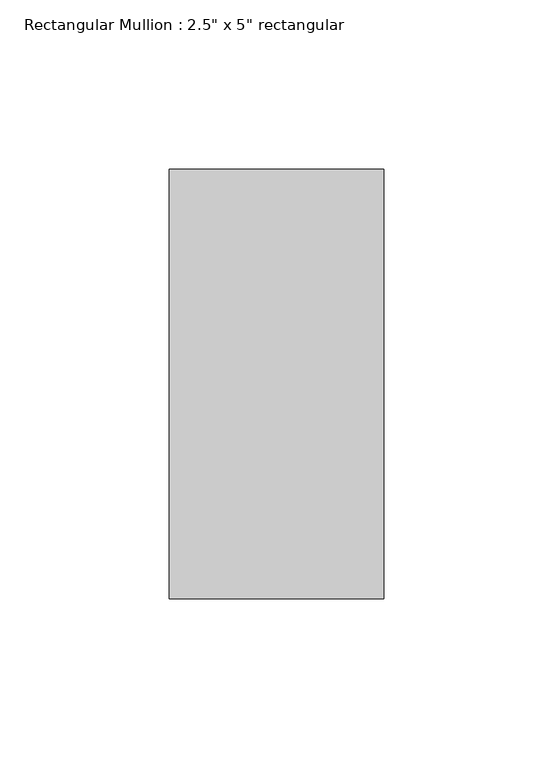
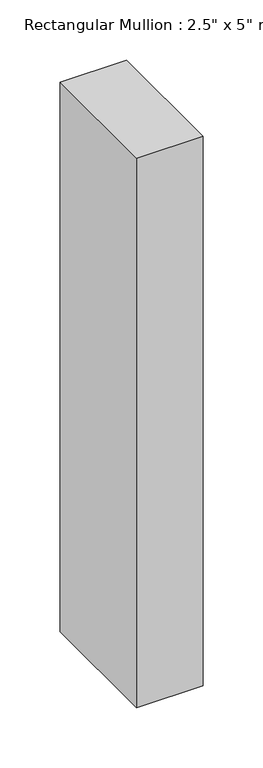
"""IFC4 building model written with IfcOpenShell, lengths in millimetres: member geometry."""

import ifcopenshell
import ifcopenshell.guid

model = None  # the IFC model being written
_history = None  # IfcOwnerHistory: only IFC2X3 demands one
_inside = {}  # id of a spatial element -> (the spatial element, [elements in it])
_under = {}  # id of a project, library or spatial element -> (it, [spatial elements below it])
_declared = {}  # id of a project -> (the project, [libraries it declares])
_typed = {}  # id of a type object -> (the type object, [elements of that type])
_made_of = {}  # id of a material, layer set ... -> (it, [elements and type objects made of it])


def new_model(schema):
    """Start an empty IFC model of exactly this schema.

    Asked for "IFC4X3", IfcOpenShell would pick the latest addendum, in which some entities
    have other attributes; the version numbers below select the first issue.
    IFC2X3 requires an IfcOwnerHistory on every rooted entity: one is made here for all.
    """
    global model, _history
    if schema == "IFC4X3":
        model = ifcopenshell.file(schema_version=(4, 3, 0, 0))
    else:
        model = ifcopenshell.file(schema=schema)
    _inside.clear()
    _under.clear()
    _declared.clear()
    _typed.clear()
    _made_of.clear()
    _history = None
    if model.schema == "IFC2X3":
        org = make("IfcOrganization", Name="unknown")
        user = make(
            "IfcPersonAndOrganization",
            ThePerson=make("IfcPerson", FamilyName="unknown"),
            TheOrganization=org,
        )
        app = make(
            "IfcApplication",
            ApplicationDeveloper=org,
            Version="unknown",
            ApplicationFullName="unknown",
            ApplicationIdentifier="unknown",
        )
        _history = make(
            "IfcOwnerHistory",
            OwningUser=user,
            OwningApplication=app,
            ChangeAction="ADDED",
            CreationDate=0,
        )
    return model


def make(cls, **values):
    """One entity of the class cls with the attributes given. An attribute that is None is left unset."""
    return model.create_entity(
        cls, **{name: value for name, value in values.items() if value is not None}
    )


def rooted(cls, **values):
    """An entity with a GlobalId (a new one), such as an element, a storey or a relation."""
    return make(cls, GlobalId=ifcopenshell.guid.new(), OwnerHistory=_history, **values)


def si_unit(unit_type, name, prefix=None):
    """IfcSIUnit, for example si_unit("LENGTHUNIT", "METRE", prefix="MILLI")."""
    return make("IfcSIUnit", UnitType=unit_type, Prefix=prefix, Name=name)


def assignment(units):
    """IfcUnitAssignment: the units of a project."""
    return None if units is None else make("IfcUnitAssignment", Units=units)


def point(xyz):
    """IfcCartesianPoint."""
    return None if xyz is None else make("IfcCartesianPoint", Coordinates=xyz)


def direction(xyz):
    """IfcDirection."""
    return None if xyz is None else make("IfcDirection", DirectionRatios=xyz)


def frame(location, z_axis=None, x_axis=None):
    """IfcAxis2Placement3D, a coordinate frame: its origin and axes. An axis left out is left unset."""
    return make(
        "IfcAxis2Placement3D",
        Location=point(location),
        Axis=direction(z_axis),
        RefDirection=direction(x_axis),
    )


def origin():
    """The frame at (0, 0, 0) with its axes left unset."""
    return frame((0.0, 0.0, 0.0))


def place(relative_to, where):
    """IfcLocalPlacement: puts the frame where relative to a parent placement (None: the world)."""
    return make(
        "IfcLocalPlacement", PlacementRelTo=relative_to, RelativePlacement=where
    )


def context(
    kind, dimensions, precision=None, world=None, true_north=None, identifier=None
):
    """IfcGeometricRepresentationContext, for example the 3D "Model" context."""
    return make(
        "IfcGeometricRepresentationContext",
        ContextIdentifier=identifier,
        ContextType=kind,
        CoordinateSpaceDimension=dimensions,
        Precision=precision,
        WorldCoordinateSystem=world,
        TrueNorth=true_north,
    )


def project(units=None, contexts=None):
    """IfcProject with its units and contexts."""
    return rooted(
        "IfcProject",
        Name="project",
        RepresentationContexts=contexts,
        UnitsInContext=assignment(units),
    )


def spatial(cls, under=None, at=None, **own):
    """A site, building, storey or space (cls), placed at a placement, below another one or the project."""
    s = rooted(cls, ObjectPlacement=at, **own)
    if under is not None:
        _under.setdefault(under.id(), (under, []))[1].append(s)
    return s


def polyline(points):
    """IfcPolyline through the points."""
    return make("IfcPolyline", Points=[point(p) for p in points])


def outline(outer, holes=None, kind="AREA"):
    """IfcArbitraryClosedProfileDef: a profile drawn as a closed curve; with holes, ...WithVoids."""
    if holes is None:
        return make("IfcArbitraryClosedProfileDef", ProfileType=kind, OuterCurve=outer)
    return make(
        "IfcArbitraryProfileDefWithVoids",
        ProfileType=kind,
        OuterCurve=outer,
        InnerCurves=holes,
    )


def extrude(swept, where, along, depth):
    """IfcExtrudedAreaSolid: the profile swept, set in the frame where, extruded along a direction by depth."""
    return make(
        "IfcExtrudedAreaSolid",
        SweptArea=swept,
        Position=where,
        ExtrudedDirection=direction(along),
        Depth=depth,
    )


def shape(context_of_items, identifier, shape_type, items):
    """IfcShapeRepresentation: the items that make up one representation, for example the "Body"."""
    return make(
        "IfcShapeRepresentation",
        ContextOfItems=context_of_items,
        RepresentationIdentifier=identifier,
        RepresentationType=shape_type,
        Items=items,
    )


def source(mapping_origin, context_of_items, identifier, shape_type, items):
    """IfcRepresentationMap: a shape defined once, which mapped items show again and again."""
    return make(
        "IfcRepresentationMap",
        MappingOrigin=mapping_origin,
        MappedRepresentation=shape(context_of_items, identifier, shape_type, items),
    )


def transform(
    local_origin,
    x_axis=None,
    y_axis=None,
    z_axis=None,
    scale=None,
    scale2=None,
    scale3=None,
    uniform=True,
):
    """IfcCartesianTransformationOperator3D, or its non-uniform kind. x_axis, y_axis, z_axis: its Axis1, 2, 3."""
    if uniform:
        return make(
            "IfcCartesianTransformationOperator3D",
            Axis1=direction(x_axis),
            Axis2=direction(y_axis),
            LocalOrigin=point(local_origin),
            Scale=scale,
            Axis3=direction(z_axis),
        )
    return make(
        "IfcCartesianTransformationOperator3DnonUniform",
        Axis1=direction(x_axis),
        Axis2=direction(y_axis),
        LocalOrigin=point(local_origin),
        Scale=scale,
        Axis3=direction(z_axis),
        Scale2=scale2,
        Scale3=scale3,
    )


def mapped(mapping_source, mapping_target):
    """IfcMappedItem: shows the shape of a source again, moved by a transform."""
    return make(
        "IfcMappedItem", MappingSource=mapping_source, MappingTarget=mapping_target
    )


def made_of(thing, what):
    """Note that an element or type object is made of a material, layer set ...; save() writes the relation."""
    if what is not None:
        _made_of.setdefault(what.id(), (what, []))[1].append(thing)
    return thing


def element(
    cls,
    number,
    at=None,
    inside=None,
    cuts=None,
    type_object=None,
    material=None,
    context=None,
    identifier="Body",
    shape_type=None,
    held_by="IfcProductDefinitionShape",
    body=None,
    shapes=None,
    **own,
):
    """One element of the class cls, such as IfcWall. Its Tag is "e" and its number.

    at: its placement. inside: the storey or other place that contains it. cuts: it is an
    opening in that element (IfcRelVoidsElement). A single representation is given by context,
    identifier, shape_type and body (its items); several are given by shapes. held_by: the class
    of the entity that holds the representations. save() writes the other relations.
    """
    e = rooted(cls, Tag="e%d" % number, ObjectPlacement=at, **own)
    if body is not None:
        shapes = [shape(context, identifier, shape_type, body)]
    if shapes is not None:
        e.Representation = make(held_by, Representations=shapes)
    if inside is not None:
        _inside.setdefault(inside.id(), (inside, []))[1].append(e)
    if cuts is not None:
        rooted(
            "IfcRelVoidsElement", RelatingBuildingElement=cuts, RelatedOpeningElement=e
        )
    if type_object is not None:
        _typed.setdefault(type_object.id(), (type_object, []))[1].append(e)
    return made_of(e, material)


def aggregate(whole, parts):
    """IfcRelAggregates: a whole, such as a stair, and the parts it consists of."""
    return rooted("IfcRelAggregates", RelatingObject=whole, RelatedObjects=parts)


def save(model, path):
    """Write the relations noted so far, then the file.

    IfcRelAggregates (storeys below a building ...), IfcRelContainedInSpatialStructure (elements
    in a storey), IfcRelDefinesByType, IfcRelAssociatesMaterial and IfcRelDeclares: one each for
    every whole, place, type object, material and project.
    """
    for whole, parts in _under.values():
        aggregate(whole, parts)
    for where, things in _inside.values():
        rooted(
            "IfcRelContainedInSpatialStructure",
            RelatedElements=things,
            RelatingStructure=where,
        )
    for kind, things in _typed.values():
        rooted("IfcRelDefinesByType", RelatedObjects=things, RelatingType=kind)
    for what, things in _made_of.values():
        rooted("IfcRelAssociatesMaterial", RelatedObjects=things, RelatingMaterial=what)
    for by, libraries in _declared.values():
        rooted("IfcRelDeclares", RelatingContext=by, RelatedDefinitions=libraries)
    model.write(path)


def member_13935e79(model_context):
    return source(origin(), model_context, "Body", "SweptSolid", [
        extrude(outline(polyline([(31.75, 63.5), (31.75, -63.5), (-31.75, -63.5), (-31.75, 63.5), (31.75, 63.5)])), frame((0.0, 0.0, -556.26), z_axis=(0.0, 0.0, 1.0), x_axis=(1.0, 0.0, 0.0)), (0.0, 0.0, 1.0), 556.26),
    ])


if __name__ == "__main__":
    model = new_model("IFC4")
    model_context = context("Model", 3, world=origin())
    ifc_project = project(units=[si_unit("LENGTHUNIT", "METRE", prefix="MILLI")], contexts=[model_context])
    site = spatial("IfcSite", under=ifc_project)
    building = spatial("IfcBuilding", under=site)
    placement = place(None, origin())
    member_shape = member_13935e79(model_context)
    element("IfcMember", 1, ObjectType="Rectangular Mullion : 2.5\" x 5\" rectangular", at=placement, inside=building, context=model_context, shape_type="MappedRepresentation", body=[
        mapped(member_shape, transform((0.0, 0.0, 0.0), x_axis=(1.0, 0.0, 0.0), y_axis=(0.0, 1.0, 0.0), z_axis=(0.0, 0.0, 1.0))),
    ])
    save(model, "model.ifc")
